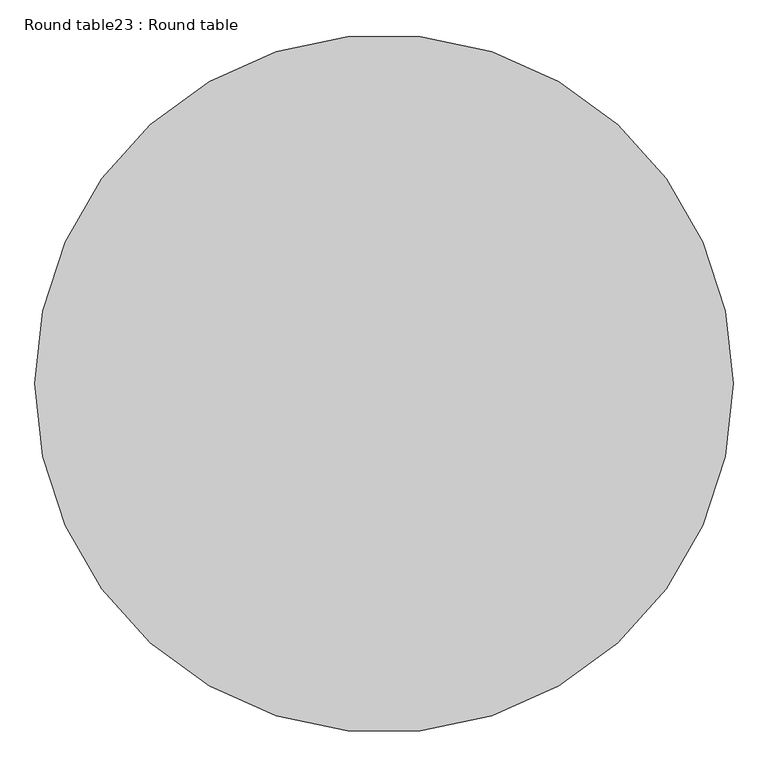
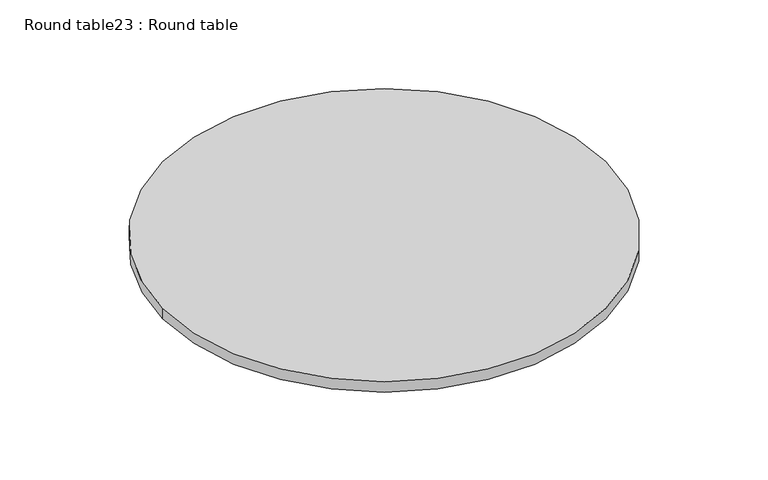
"""IFC4 building model written with IfcOpenShell, lengths in millimetres: furniture geometry, Round table23 : Round table."""

import ifcopenshell
import ifcopenshell.guid

model = None  # the IFC model being written
_history = None  # IfcOwnerHistory: only IFC2X3 demands one
_inside = {}  # id of a spatial element -> (the spatial element, [elements in it])
_under = {}  # id of a project, library or spatial element -> (it, [spatial elements below it])
_declared = {}  # id of a project -> (the project, [libraries it declares])
_typed = {}  # id of a type object -> (the type object, [elements of that type])
_made_of = {}  # id of a material, layer set ... -> (it, [elements and type objects made of it])


def new_model(schema):
    """Start an empty IFC model of exactly this schema.

    Asked for "IFC4X3", IfcOpenShell would pick the latest addendum, in which some entities
    have other attributes; the version numbers below select the first issue.
    IFC2X3 requires an IfcOwnerHistory on every rooted entity: one is made here for all.
    """
    global model, _history
    if schema == "IFC4X3":
        model = ifcopenshell.file(schema_version=(4, 3, 0, 0))
    else:
        model = ifcopenshell.file(schema=schema)
    _inside.clear()
    _under.clear()
    _declared.clear()
    _typed.clear()
    _made_of.clear()
    _history = None
    if model.schema == "IFC2X3":
        org = make("IfcOrganization", Name="unknown")
        user = make(
            "IfcPersonAndOrganization",
            ThePerson=make("IfcPerson", FamilyName="unknown"),
            TheOrganization=org,
        )
        app = make(
            "IfcApplication",
            ApplicationDeveloper=org,
            Version="unknown",
            ApplicationFullName="unknown",
            ApplicationIdentifier="unknown",
        )
        _history = make(
            "IfcOwnerHistory",
            OwningUser=user,
            OwningApplication=app,
            ChangeAction="ADDED",
            CreationDate=0,
        )
    return model


def make(cls, **values):
    """One entity of the class cls with the attributes given. An attribute that is None is left unset."""
    return model.create_entity(
        cls, **{name: value for name, value in values.items() if value is not None}
    )


def rooted(cls, **values):
    """An entity with a GlobalId (a new one), such as an element, a storey or a relation."""
    return make(cls, GlobalId=ifcopenshell.guid.new(), OwnerHistory=_history, **values)


def si_unit(unit_type, name, prefix=None):
    """IfcSIUnit, for example si_unit("LENGTHUNIT", "METRE", prefix="MILLI")."""
    return make("IfcSIUnit", UnitType=unit_type, Prefix=prefix, Name=name)


def assignment(units):
    """IfcUnitAssignment: the units of a project."""
    return None if units is None else make("IfcUnitAssignment", Units=units)


def point(xyz):
    """IfcCartesianPoint."""
    return None if xyz is None else make("IfcCartesianPoint", Coordinates=xyz)


def direction(xyz):
    """IfcDirection."""
    return None if xyz is None else make("IfcDirection", DirectionRatios=xyz)


def frame(location, z_axis=None, x_axis=None):
    """IfcAxis2Placement3D, a coordinate frame: its origin and axes. An axis left out is left unset."""
    return make(
        "IfcAxis2Placement3D",
        Location=point(location),
        Axis=direction(z_axis),
        RefDirection=direction(x_axis),
    )


def frame_2d(location, x_axis=None):
    """IfcAxis2Placement2D, a coordinate frame in the plane: its origin and x axis."""
    return make(
        "IfcAxis2Placement2D", Location=point(location), RefDirection=direction(x_axis)
    )


def origin():
    """The frame at (0, 0, 0) with its axes left unset."""
    return frame((0.0, 0.0, 0.0))


def place(relative_to, where):
    """IfcLocalPlacement: puts the frame where relative to a parent placement (None: the world)."""
    return make(
        "IfcLocalPlacement", PlacementRelTo=relative_to, RelativePlacement=where
    )


def context(
    kind, dimensions, precision=None, world=None, true_north=None, identifier=None
):
    """IfcGeometricRepresentationContext, for example the 3D "Model" context."""
    return make(
        "IfcGeometricRepresentationContext",
        ContextIdentifier=identifier,
        ContextType=kind,
        CoordinateSpaceDimension=dimensions,
        Precision=precision,
        WorldCoordinateSystem=world,
        TrueNorth=true_north,
    )


def project(units=None, contexts=None):
    """IfcProject with its units and contexts."""
    return rooted(
        "IfcProject",
        Name="project",
        RepresentationContexts=contexts,
        UnitsInContext=assignment(units),
    )


def spatial(cls, under=None, at=None, **own):
    """A site, building, storey or space (cls), placed at a placement, below another one or the project."""
    s = rooted(cls, ObjectPlacement=at, **own)
    if under is not None:
        _under.setdefault(under.id(), (under, []))[1].append(s)
    return s


def circle_curve(where, radius):
    """IfcCircle in the frame where."""
    return make("IfcCircle", Position=where, Radius=radius)


def trimmed(basis, trim1, trim2, sense, master):
    """IfcTrimmedCurve: the piece of a basis curve between two trims."""
    return make(
        "IfcTrimmedCurve",
        BasisCurve=basis,
        Trim1=trim1,
        Trim2=trim2,
        SenseAgreement=sense,
        MasterRepresentation=master,
    )


def segment(curve, same_sense, transition):
    """IfcCompositeCurveSegment."""
    return make(
        "IfcCompositeCurveSegment",
        Transition=transition,
        SameSense=same_sense,
        ParentCurve=curve,
    )


def composite_curve(segments, self_intersect=None):
    """IfcCompositeCurve: segments joined end to end."""
    return make("IfcCompositeCurve", Segments=segments, SelfIntersect=self_intersect)


def outline(outer, holes=None, kind="AREA"):
    """IfcArbitraryClosedProfileDef: a profile drawn as a closed curve; with holes, ...WithVoids."""
    if holes is None:
        return make("IfcArbitraryClosedProfileDef", ProfileType=kind, OuterCurve=outer)
    return make(
        "IfcArbitraryProfileDefWithVoids",
        ProfileType=kind,
        OuterCurve=outer,
        InnerCurves=holes,
    )


def extrude(swept, where, along, depth):
    """IfcExtrudedAreaSolid: the profile swept, set in the frame where, extruded along a direction by depth."""
    return make(
        "IfcExtrudedAreaSolid",
        SweptArea=swept,
        Position=where,
        ExtrudedDirection=direction(along),
        Depth=depth,
    )


def shape(context_of_items, identifier, shape_type, items):
    """IfcShapeRepresentation: the items that make up one representation, for example the "Body"."""
    return make(
        "IfcShapeRepresentation",
        ContextOfItems=context_of_items,
        RepresentationIdentifier=identifier,
        RepresentationType=shape_type,
        Items=items,
    )


def source(mapping_origin, context_of_items, identifier, shape_type, items):
    """IfcRepresentationMap: a shape defined once, which mapped items show again and again."""
    return make(
        "IfcRepresentationMap",
        MappingOrigin=mapping_origin,
        MappedRepresentation=shape(context_of_items, identifier, shape_type, items),
    )


def transform(
    local_origin,
    x_axis=None,
    y_axis=None,
    z_axis=None,
    scale=None,
    scale2=None,
    scale3=None,
    uniform=True,
):
    """IfcCartesianTransformationOperator3D, or its non-uniform kind. x_axis, y_axis, z_axis: its Axis1, 2, 3."""
    if uniform:
        return make(
            "IfcCartesianTransformationOperator3D",
            Axis1=direction(x_axis),
            Axis2=direction(y_axis),
            LocalOrigin=point(local_origin),
            Scale=scale,
            Axis3=direction(z_axis),
        )
    return make(
        "IfcCartesianTransformationOperator3DnonUniform",
        Axis1=direction(x_axis),
        Axis2=direction(y_axis),
        LocalOrigin=point(local_origin),
        Scale=scale,
        Axis3=direction(z_axis),
        Scale2=scale2,
        Scale3=scale3,
    )


def mapped(mapping_source, mapping_target):
    """IfcMappedItem: shows the shape of a source again, moved by a transform."""
    return make(
        "IfcMappedItem", MappingSource=mapping_source, MappingTarget=mapping_target
    )


def made_of(thing, what):
    """Note that an element or type object is made of a material, layer set ...; save() writes the relation."""
    if what is not None:
        _made_of.setdefault(what.id(), (what, []))[1].append(thing)
    return thing


def element(
    cls,
    number,
    at=None,
    inside=None,
    cuts=None,
    type_object=None,
    material=None,
    context=None,
    identifier="Body",
    shape_type=None,
    held_by="IfcProductDefinitionShape",
    body=None,
    shapes=None,
    **own,
):
    """One element of the class cls, such as IfcWall. Its Tag is "e" and its number.

    at: its placement. inside: the storey or other place that contains it. cuts: it is an
    opening in that element (IfcRelVoidsElement). A single representation is given by context,
    identifier, shape_type and body (its items); several are given by shapes. held_by: the class
    of the entity that holds the representations. save() writes the other relations.
    """
    e = rooted(cls, Tag="e%d" % number, ObjectPlacement=at, **own)
    if body is not None:
        shapes = [shape(context, identifier, shape_type, body)]
    if shapes is not None:
        e.Representation = make(held_by, Representations=shapes)
    if inside is not None:
        _inside.setdefault(inside.id(), (inside, []))[1].append(e)
    if cuts is not None:
        rooted(
            "IfcRelVoidsElement", RelatingBuildingElement=cuts, RelatedOpeningElement=e
        )
    if type_object is not None:
        _typed.setdefault(type_object.id(), (type_object, []))[1].append(e)
    return made_of(e, material)


def aggregate(whole, parts):
    """IfcRelAggregates: a whole, such as a stair, and the parts it consists of."""
    return rooted("IfcRelAggregates", RelatingObject=whole, RelatedObjects=parts)


def save(model, path):
    """Write the relations noted so far, then the file.

    IfcRelAggregates (storeys below a building ...), IfcRelContainedInSpatialStructure (elements
    in a storey), IfcRelDefinesByType, IfcRelAssociatesMaterial and IfcRelDeclares: one each for
    every whole, place, type object, material and project.
    """
    for whole, parts in _under.values():
        aggregate(whole, parts)
    for where, things in _inside.values():
        rooted(
            "IfcRelContainedInSpatialStructure",
            RelatedElements=things,
            RelatingStructure=where,
        )
    for kind, things in _typed.values():
        rooted("IfcRelDefinesByType", RelatedObjects=things, RelatingType=kind)
    for what, things in _made_of.values():
        rooted("IfcRelAssociatesMaterial", RelatedObjects=things, RelatingMaterial=what)
    for by, libraries in _declared.values():
        rooted("IfcRelDeclares", RelatingContext=by, RelatedDefinitions=libraries)
    model.write(path)


def round_table23_round_table_ec2063d2(model_context):
    return source(origin(), model_context, "Body", "SweptSolid", [
        extrude(outline(composite_curve([segment(trimmed(circle_curve(frame_2d((2331.2286754, 22077.4320933)), 508.0), [point((1823.2286754, 22077.4320933))], [point((2839.2286754, 22077.4320933))], False, "CARTESIAN"), True, "CONTINUOUS"), segment(trimmed(circle_curve(frame_2d((2331.2286754, 22077.4320933)), 508.0), [point((2839.2286754, 22077.4320933))], [point((1823.2286754, 22077.4320933))], False, "CARTESIAN"), True, "CONTINUOUS")], self_intersect=False)), frame((0.0, 0.0, 762.0), z_axis=(0.0, 0.0, 1.0), x_axis=(1.0, 0.0, 0.0)), (0.0, 0.0, 1.0), 25.4),
    ])


if __name__ == "__main__":
    model = new_model("IFC4")
    model_context = context("Model", 3, world=origin())
    ifc_project = project(units=[si_unit("LENGTHUNIT", "METRE", prefix="MILLI")], contexts=[model_context])
    site = spatial("IfcSite", under=ifc_project)
    building = spatial("IfcBuilding", under=site)
    placement = place(None, origin())
    round_table23_round_table_shape = round_table23_round_table_ec2063d2(model_context)
    element("IfcFurniture", 1, ObjectType="Round table23 : Round table", at=placement, inside=building, context=model_context, shape_type="MappedRepresentation", body=[
        mapped(round_table23_round_table_shape, transform((0.0, 0.0, 0.0), x_axis=(1.0, 0.0, 0.0), y_axis=(0.0, 1.0, 0.0), z_axis=(0.0, 0.0, 1.0))),
    ])
    save(model, "model.ifc")
